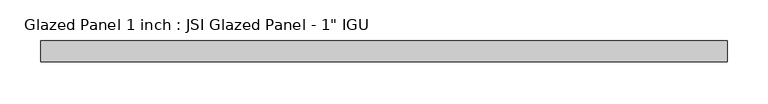
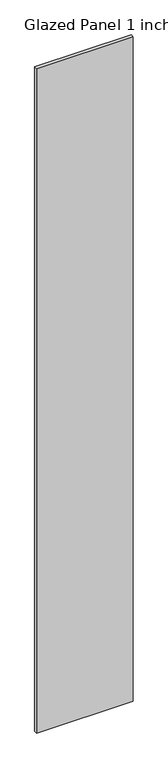
"""IFC4 building model written with IfcOpenShell, lengths in millimetres: plate geometry."""

from ifc_helpers import new_model, si_unit, origin, origin_with_axes, place, context, project, spatial, polyline, outline, extrude, source, transform, mapped, element, save


def plate_549448e9(model_context):
    return source(origin(), model_context, "Body", "SweptSolid", [
        extrude(outline(polyline([(419.1, -12.7), (-419.1, -12.7), (-419.1, 12.7), (419.1, 12.7), (419.1, -12.7)])), origin_with_axes(), (0.0, 0.0, 1.0), 6096.0),
    ])


if __name__ == "__main__":
    model = new_model("IFC4")
    model_context = context("Model", 3, world=origin())
    ifc_project = project(units=[si_unit("LENGTHUNIT", "METRE", prefix="MILLI")], contexts=[model_context])
    site = spatial("IfcSite", under=ifc_project)
    building = spatial("IfcBuilding", under=site)
    placement = place(None, origin())
    plate_shape = plate_549448e9(model_context)
    element("IfcPlate", 1, ObjectType="Glazed Panel 1 inch : JSI Glazed Panel - 1\" IGU", at=placement, inside=building, context=model_context, shape_type="MappedRepresentation", body=[
        mapped(plate_shape, transform((0.0, 0.0, 0.0), x_axis=(1.0, 0.0, 0.0), y_axis=(0.0, 1.0, 0.0), z_axis=(0.0, 0.0, 1.0))),
    ])
    save(model, "model.ifc")
